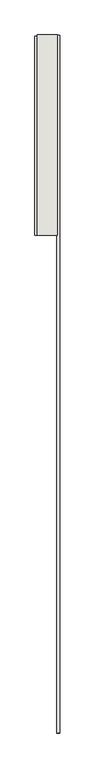
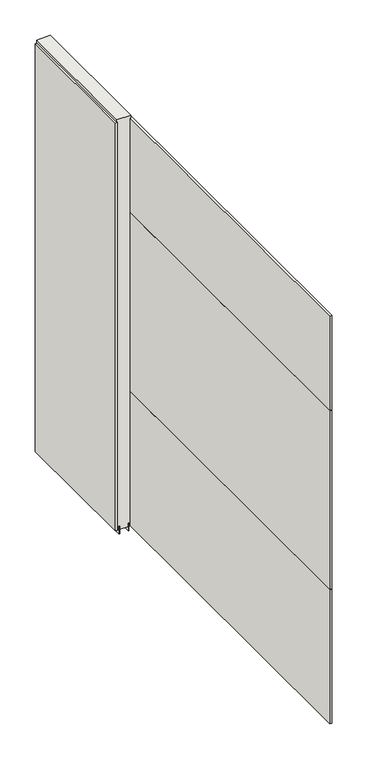
"""IFC4 building model written with IfcOpenShell, lengths in millimetres: wall geometry."""

from ifc_helpers import new_model, si_unit, frame, origin, place, context, project, spatial, polyline, outline, extrude, source, transform, mapped, element, save


def wall_89a7159b(model_context):
    return source(origin(), model_context, "Body", "SweptSolid", [
        extrude(outline(polyline([(48920.373965, -44754.2307352), (48920.373965, -44756.7707352), (48917.833965, -44756.7707352), (48917.833965, -44754.2307352), (48920.373965, -44754.2307352)])), frame((0.0, 0.0, 4419.6), z_axis=(0.0, 0.0, 1.0), x_axis=(1.0, 0.0, 0.0)), (0.0, 0.0, 1.0), 2.54),
        extrude(outline(polyline([(48868.303965, -45575.6966056), (48868.303965, -44758.6964616), (48881.003965, -44758.6964616), (48881.003965, -45575.6966056), (48868.303965, -45575.6966056)])), frame((0.0, 0.0, 4445.0), z_axis=(0.0, 0.0, 1.0), x_axis=(1.0, 0.0, 0.0)), (0.0, 0.0, 1.0), 2545.0498756),
        extrude(outline(polyline([(48969.903965, -44756.2334363), (48969.903965, -47613.4338433), (48957.203965, -47613.4338433), (48957.203965, -44756.2334363), (48969.903965, -44756.2334363)])), frame((0.0, 0.0, 6402.8000722), z_axis=(0.0, 0.0, 1.0), x_axis=(1.0, 0.0, 0.0)), (0.0, 0.0, 1.0), 587.2498034),
        extrude(outline(polyline([(48969.903965, -44756.2334363), (48969.903965, -47613.4338433), (48957.203965, -47613.4338433), (48957.203965, -44756.2334363), (48969.903965, -44756.2334363)])), frame((0.0, 0.0, 5285.2000722), z_axis=(0.0, 0.0, 1.0), x_axis=(1.0, 0.0, 0.0)), (0.0, 0.0, 1.0), 1113.5999572),
        extrude(outline(polyline([(48969.903965, -44756.2334363), (48969.903965, -47613.4338433), (48957.203965, -47613.4338433), (48957.203965, -44756.2334363), (48969.903965, -44756.2334363)])), frame((0.0, 0.0, 4445.0), z_axis=(0.0, 0.0, 1.0), x_axis=(1.0, 0.0, 0.0)), (0.0, 0.0, 1.0), 836.200004),
        extrude(outline(polyline([(48894.010924, -44754.2418858), (48894.010924, -45575.246035), (48888.9290444, -45575.246035), (48888.9290444, -44754.2418858), (48894.010924, -44754.2418858)])), frame((0.0, 0.0, 4418.6602), z_axis=(0.0, 0.0, 1.0), x_axis=(1.0, 0.0, 0.0)), (0.0, 0.0, 1.0), 47.625),
        extrude(outline(polyline([(48894.010924, -44754.2418858), (48894.010924, -45575.246035), (48888.9290444, -45575.246035), (48888.9290444, -44754.2418858), (48894.010924, -44754.2418858)])), frame((0.0, 0.0, 4418.6602), z_axis=(0.0, 0.0, 1.0), x_axis=(1.0, 0.0, 0.0)), (0.0, 0.0, 1.0), 47.625),
        extrude(outline(polyline([(48944.2001048, -45575.246035), (48944.2001048, -44754.2418858), (48949.2540444, -44754.2418858), (48949.2540444, -45575.246035), (48944.2001048, -45575.246035)])), frame((0.0, 0.0, 4418.6602), z_axis=(0.0, 0.0, 1.0), x_axis=(1.0, 0.0, 0.0)), (0.0, 0.0, 1.0), 47.625),
        extrude(outline(polyline([(48944.2001048, -45575.246035), (48944.2001048, -44754.2418858), (48949.2540444, -44754.2418858), (48949.2540444, -45575.246035), (48944.2001048, -45575.246035)])), frame((0.0, 0.0, 4418.6602), z_axis=(0.0, 0.0, 1.0), x_axis=(1.0, 0.0, 0.0)), (0.0, 0.0, 1.0), 47.625),
        extrude(outline(polyline([(48878.4645746, -44754.2418858), (48959.74333, -44754.2418858), (48959.74333, -45575.246035), (48878.4645746, -45575.246035), (48878.4645746, -44754.2418858)])), frame((0.0, 0.0, 4445.0), z_axis=(0.0, 0.0, 1.0), x_axis=(1.0, 0.0, 0.0)), (0.0, 0.0, 1.0), 2562.4536762),
    ])


if __name__ == "__main__":
    model = new_model("IFC4")
    model_context = context("Model", 3, world=origin())
    ifc_project = project(units=[si_unit("LENGTHUNIT", "METRE", prefix="MILLI")], contexts=[model_context])
    site = spatial("IfcSite", under=ifc_project)
    building = spatial("IfcBuilding", under=site)
    placement = place(None, origin())
    wall_shape = wall_89a7159b(model_context)
    element("IfcWall", 1, at=placement, inside=building, context=model_context, shape_type="MappedRepresentation", body=[
        mapped(wall_shape, transform((0.0, 0.0, 0.0), x_axis=(1.0, 0.0, 0.0), y_axis=(0.0, 1.0, 0.0), z_axis=(0.0, 0.0, 1.0))),
    ])
    save(model, "model.ifc")
